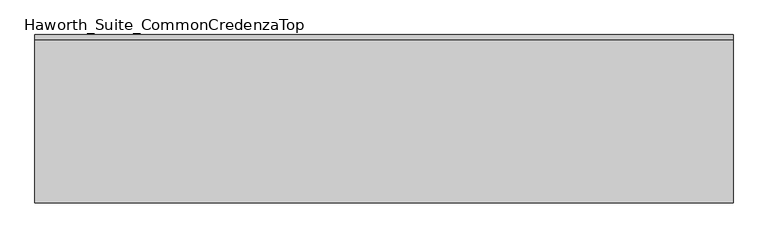
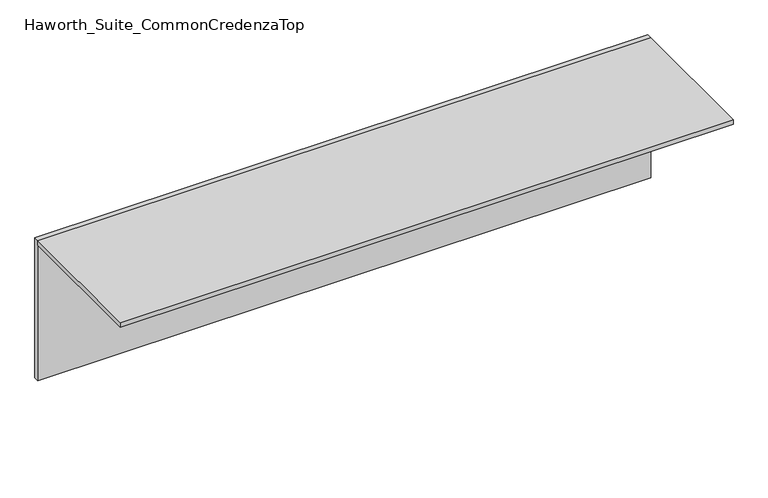
"""IFC4 building model written with IfcOpenShell, lengths in millimetres: furniture geometry, Haworth_Suite_CommonCredenzaTop."""

from ifc_helpers import new_model, si_unit, frame, origin, origin_with_axes, place, context, project, spatial, polyline, outline, extrude, source, transform, mapped, element, save


def haworth_suite_commoncredenzatop_257bebbe(model_context):
    return source(origin(), model_context, "Body", "SweptSolid", [
        extrude(outline(polyline([(1206.5, -31.75), (1206.5, -600.075), (-1231.9, -600.075), (-1231.9, -31.75), (1206.5, -31.75)])), frame((0.0, 0.0, 569.9125), z_axis=(0.0, 0.0, 1.0), x_axis=(1.0, 0.0, 0.0)), (0.0, 0.0, 1.0), 19.05),
        extrude(outline(polyline([(1206.5, -12.7), (1206.5, -31.75), (-1231.9, -31.75), (-1231.9, -12.7), (1206.5, -12.7)])), origin_with_axes(), (0.0, 0.0, 1.0), 588.9625),
    ])


if __name__ == "__main__":
    model = new_model("IFC4")
    model_context = context("Model", 3, world=origin())
    ifc_project = project(units=[si_unit("LENGTHUNIT", "METRE", prefix="MILLI")], contexts=[model_context])
    site = spatial("IfcSite", under=ifc_project)
    building = spatial("IfcBuilding", under=site)
    placement = place(None, origin())
    haworth_suite_commoncredenzatop_shape = haworth_suite_commoncredenzatop_257bebbe(model_context)
    element("IfcFurniture", 1, ObjectType="Haworth_Suite_CommonCredenzaTop", at=placement, inside=building, context=model_context, shape_type="MappedRepresentation", body=[
        mapped(haworth_suite_commoncredenzatop_shape, transform((0.0, 0.0, 0.0), x_axis=(1.0, 0.0, 0.0), y_axis=(0.0, 1.0, 0.0), z_axis=(0.0, 0.0, 1.0))),
    ])
    save(model, "model.ifc")
